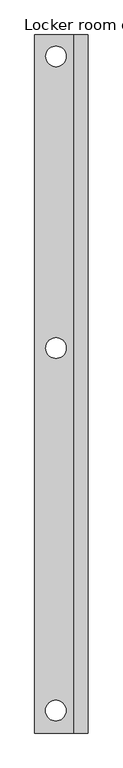
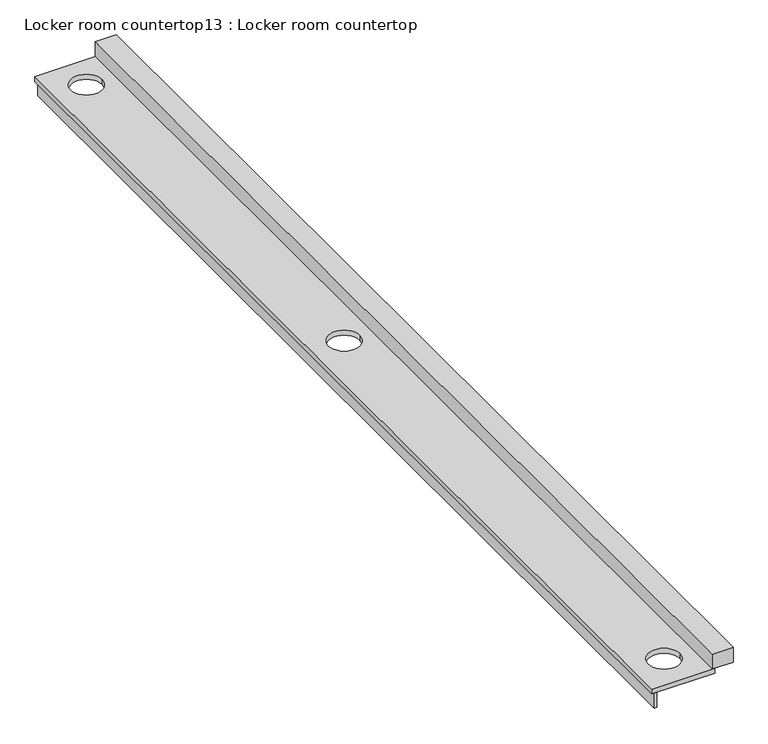
"""IFC4 building model written with IfcOpenShell, lengths in millimetres: furniture geometry, Locker room countertop13 : Locker room countertop."""

import ifcopenshell
import ifcopenshell.guid

model = None  # the IFC model being written
_history = None  # IfcOwnerHistory: only IFC2X3 demands one
_inside = {}  # id of a spatial element -> (the spatial element, [elements in it])
_under = {}  # id of a project, library or spatial element -> (it, [spatial elements below it])
_declared = {}  # id of a project -> (the project, [libraries it declares])
_typed = {}  # id of a type object -> (the type object, [elements of that type])
_made_of = {}  # id of a material, layer set ... -> (it, [elements and type objects made of it])


def new_model(schema):
    """Start an empty IFC model of exactly this schema.

    Asked for "IFC4X3", IfcOpenShell would pick the latest addendum, in which some entities
    have other attributes; the version numbers below select the first issue.
    IFC2X3 requires an IfcOwnerHistory on every rooted entity: one is made here for all.
    """
    global model, _history
    if schema == "IFC4X3":
        model = ifcopenshell.file(schema_version=(4, 3, 0, 0))
    else:
        model = ifcopenshell.file(schema=schema)
    _inside.clear()
    _under.clear()
    _declared.clear()
    _typed.clear()
    _made_of.clear()
    _history = None
    if model.schema == "IFC2X3":
        org = make("IfcOrganization", Name="unknown")
        user = make(
            "IfcPersonAndOrganization",
            ThePerson=make("IfcPerson", FamilyName="unknown"),
            TheOrganization=org,
        )
        app = make(
            "IfcApplication",
            ApplicationDeveloper=org,
            Version="unknown",
            ApplicationFullName="unknown",
            ApplicationIdentifier="unknown",
        )
        _history = make(
            "IfcOwnerHistory",
            OwningUser=user,
            OwningApplication=app,
            ChangeAction="ADDED",
            CreationDate=0,
        )
    return model


def make(cls, **values):
    """One entity of the class cls with the attributes given. An attribute that is None is left unset."""
    return model.create_entity(
        cls, **{name: value for name, value in values.items() if value is not None}
    )


def rooted(cls, **values):
    """An entity with a GlobalId (a new one), such as an element, a storey or a relation."""
    return make(cls, GlobalId=ifcopenshell.guid.new(), OwnerHistory=_history, **values)


def si_unit(unit_type, name, prefix=None):
    """IfcSIUnit, for example si_unit("LENGTHUNIT", "METRE", prefix="MILLI")."""
    return make("IfcSIUnit", UnitType=unit_type, Prefix=prefix, Name=name)


def assignment(units):
    """IfcUnitAssignment: the units of a project."""
    return None if units is None else make("IfcUnitAssignment", Units=units)


def point(xyz):
    """IfcCartesianPoint."""
    return None if xyz is None else make("IfcCartesianPoint", Coordinates=xyz)


def direction(xyz):
    """IfcDirection."""
    return None if xyz is None else make("IfcDirection", DirectionRatios=xyz)


def frame(location, z_axis=None, x_axis=None):
    """IfcAxis2Placement3D, a coordinate frame: its origin and axes. An axis left out is left unset."""
    return make(
        "IfcAxis2Placement3D",
        Location=point(location),
        Axis=direction(z_axis),
        RefDirection=direction(x_axis),
    )


def frame_2d(location, x_axis=None):
    """IfcAxis2Placement2D, a coordinate frame in the plane: its origin and x axis."""
    return make(
        "IfcAxis2Placement2D", Location=point(location), RefDirection=direction(x_axis)
    )


def origin():
    """The frame at (0, 0, 0) with its axes left unset."""
    return frame((0.0, 0.0, 0.0))


def place(relative_to, where):
    """IfcLocalPlacement: puts the frame where relative to a parent placement (None: the world)."""
    return make(
        "IfcLocalPlacement", PlacementRelTo=relative_to, RelativePlacement=where
    )


def context(
    kind, dimensions, precision=None, world=None, true_north=None, identifier=None
):
    """IfcGeometricRepresentationContext, for example the 3D "Model" context."""
    return make(
        "IfcGeometricRepresentationContext",
        ContextIdentifier=identifier,
        ContextType=kind,
        CoordinateSpaceDimension=dimensions,
        Precision=precision,
        WorldCoordinateSystem=world,
        TrueNorth=true_north,
    )


def project(units=None, contexts=None):
    """IfcProject with its units and contexts."""
    return rooted(
        "IfcProject",
        Name="project",
        RepresentationContexts=contexts,
        UnitsInContext=assignment(units),
    )


def spatial(cls, under=None, at=None, **own):
    """A site, building, storey or space (cls), placed at a placement, below another one or the project."""
    s = rooted(cls, ObjectPlacement=at, **own)
    if under is not None:
        _under.setdefault(under.id(), (under, []))[1].append(s)
    return s


def polyline(points):
    """IfcPolyline through the points."""
    return make("IfcPolyline", Points=[point(p) for p in points])


def circle_curve(where, radius):
    """IfcCircle in the frame where."""
    return make("IfcCircle", Position=where, Radius=radius)


def trimmed(basis, trim1, trim2, sense, master):
    """IfcTrimmedCurve: the piece of a basis curve between two trims."""
    return make(
        "IfcTrimmedCurve",
        BasisCurve=basis,
        Trim1=trim1,
        Trim2=trim2,
        SenseAgreement=sense,
        MasterRepresentation=master,
    )


def segment(curve, same_sense, transition):
    """IfcCompositeCurveSegment."""
    return make(
        "IfcCompositeCurveSegment",
        Transition=transition,
        SameSense=same_sense,
        ParentCurve=curve,
    )


def composite_curve(segments, self_intersect=None):
    """IfcCompositeCurve: segments joined end to end."""
    return make("IfcCompositeCurve", Segments=segments, SelfIntersect=self_intersect)


def outline(outer, holes=None, kind="AREA"):
    """IfcArbitraryClosedProfileDef: a profile drawn as a closed curve; with holes, ...WithVoids."""
    if holes is None:
        return make("IfcArbitraryClosedProfileDef", ProfileType=kind, OuterCurve=outer)
    return make(
        "IfcArbitraryProfileDefWithVoids",
        ProfileType=kind,
        OuterCurve=outer,
        InnerCurves=holes,
    )


def extrude(swept, where, along, depth):
    """IfcExtrudedAreaSolid: the profile swept, set in the frame where, extruded along a direction by depth."""
    return make(
        "IfcExtrudedAreaSolid",
        SweptArea=swept,
        Position=where,
        ExtrudedDirection=direction(along),
        Depth=depth,
    )


def shape(context_of_items, identifier, shape_type, items):
    """IfcShapeRepresentation: the items that make up one representation, for example the "Body"."""
    return make(
        "IfcShapeRepresentation",
        ContextOfItems=context_of_items,
        RepresentationIdentifier=identifier,
        RepresentationType=shape_type,
        Items=items,
    )


def source(mapping_origin, context_of_items, identifier, shape_type, items):
    """IfcRepresentationMap: a shape defined once, which mapped items show again and again."""
    return make(
        "IfcRepresentationMap",
        MappingOrigin=mapping_origin,
        MappedRepresentation=shape(context_of_items, identifier, shape_type, items),
    )


def transform(
    local_origin,
    x_axis=None,
    y_axis=None,
    z_axis=None,
    scale=None,
    scale2=None,
    scale3=None,
    uniform=True,
):
    """IfcCartesianTransformationOperator3D, or its non-uniform kind. x_axis, y_axis, z_axis: its Axis1, 2, 3."""
    if uniform:
        return make(
            "IfcCartesianTransformationOperator3D",
            Axis1=direction(x_axis),
            Axis2=direction(y_axis),
            LocalOrigin=point(local_origin),
            Scale=scale,
            Axis3=direction(z_axis),
        )
    return make(
        "IfcCartesianTransformationOperator3DnonUniform",
        Axis1=direction(x_axis),
        Axis2=direction(y_axis),
        LocalOrigin=point(local_origin),
        Scale=scale,
        Axis3=direction(z_axis),
        Scale2=scale2,
        Scale3=scale3,
    )


def mapped(mapping_source, mapping_target):
    """IfcMappedItem: shows the shape of a source again, moved by a transform."""
    return make(
        "IfcMappedItem", MappingSource=mapping_source, MappingTarget=mapping_target
    )


def made_of(thing, what):
    """Note that an element or type object is made of a material, layer set ...; save() writes the relation."""
    if what is not None:
        _made_of.setdefault(what.id(), (what, []))[1].append(thing)
    return thing


def element(
    cls,
    number,
    at=None,
    inside=None,
    cuts=None,
    type_object=None,
    material=None,
    context=None,
    identifier="Body",
    shape_type=None,
    held_by="IfcProductDefinitionShape",
    body=None,
    shapes=None,
    **own,
):
    """One element of the class cls, such as IfcWall. Its Tag is "e" and its number.

    at: its placement. inside: the storey or other place that contains it. cuts: it is an
    opening in that element (IfcRelVoidsElement). A single representation is given by context,
    identifier, shape_type and body (its items); several are given by shapes. held_by: the class
    of the entity that holds the representations. save() writes the other relations.
    """
    e = rooted(cls, Tag="e%d" % number, ObjectPlacement=at, **own)
    if body is not None:
        shapes = [shape(context, identifier, shape_type, body)]
    if shapes is not None:
        e.Representation = make(held_by, Representations=shapes)
    if inside is not None:
        _inside.setdefault(inside.id(), (inside, []))[1].append(e)
    if cuts is not None:
        rooted(
            "IfcRelVoidsElement", RelatingBuildingElement=cuts, RelatedOpeningElement=e
        )
    if type_object is not None:
        _typed.setdefault(type_object.id(), (type_object, []))[1].append(e)
    return made_of(e, material)


def aggregate(whole, parts):
    """IfcRelAggregates: a whole, such as a stair, and the parts it consists of."""
    return rooted("IfcRelAggregates", RelatingObject=whole, RelatedObjects=parts)


def save(model, path):
    """Write the relations noted so far, then the file.

    IfcRelAggregates (storeys below a building ...), IfcRelContainedInSpatialStructure (elements
    in a storey), IfcRelDefinesByType, IfcRelAssociatesMaterial and IfcRelDeclares: one each for
    every whole, place, type object, material and project.
    """
    for whole, parts in _under.values():
        aggregate(whole, parts)
    for where, things in _inside.values():
        rooted(
            "IfcRelContainedInSpatialStructure",
            RelatedElements=things,
            RelatingStructure=where,
        )
    for kind, things in _typed.values():
        rooted("IfcRelDefinesByType", RelatedObjects=things, RelatingType=kind)
    for what, things in _made_of.values():
        rooted("IfcRelAssociatesMaterial", RelatedObjects=things, RelatingMaterial=what)
    for by, libraries in _declared.values():
        rooted("IfcRelDeclares", RelatingContext=by, RelatedDefinitions=libraries)
    model.write(path)


def locker_room_countertop13_locker_room_countertop_2a3d2465(model_context):
    return source(origin(), model_context, "Body", "SweptSolid", [
        extrude(outline(polyline([(459985.8504676, -350597.0080223), (459985.8504676, -340267.1455223), (460011.2504676, -340267.1455223), (460011.2504676, -350597.0080223), (459985.8504676, -350597.0080223)])), frame((0.0, 0.0, 660.4), z_axis=(0.0, 0.0, 1.0), x_axis=(1.0, 0.0, 0.0)), (0.0, 0.0, 1.0), 152.4),
        extrude(outline(polyline([(460544.6504676, -340267.1455223), (460747.8504676, -340267.1455223), (460747.8504676, -350597.0080223), (460544.6504676, -350597.0080223), (460544.6504676, -340267.1455223)])), frame((0.0, 0.0, 863.6), z_axis=(0.0, 0.0, 1.0), x_axis=(1.0, 0.0, 0.0)), (0.0, 0.0, 1.0), 152.4),
        extrude(outline(polyline([(459960.4504676, -340267.1455223), (460570.0504676, -340267.1455223), (460570.0504676, -350597.0080223), (459960.4504676, -350597.0080223), (459960.4504676, -340267.1455223)]), holes=[composite_curve([segment(trimmed(circle_curve(frame_2d((460275.2498984, -340583.6938124)), 152.4), [point((460427.6498984, -340583.6938124))], [point((460122.8498984, -340583.6938124))], True, "CARTESIAN"), True, "CONTINUOUS"), segment(trimmed(circle_curve(frame_2d((460275.2498984, -340583.6938124)), 152.4), [point((460122.8498984, -340583.6938124))], [point((460427.6498984, -340583.6938124))], True, "CARTESIAN"), True, "CONTINUOUS")], self_intersect=False), composite_curve([segment(trimmed(circle_curve(frame_2d((460272.581704, -350264.4263657)), 152.4), [point((460424.981704, -350264.4263657))], [point((460120.181704, -350264.4263657))], True, "CARTESIAN"), True, "CONTINUOUS"), segment(trimmed(circle_curve(frame_2d((460272.581704, -350264.4263657)), 152.4), [point((460120.181704, -350264.4263657))], [point((460424.981704, -350264.4263657))], True, "CARTESIAN"), True, "CONTINUOUS")], self_intersect=False), composite_curve([segment(trimmed(circle_curve(frame_2d((460275.2498984, -344901.6938124)), 152.4), [point((460427.6498984, -344901.6938124))], [point((460122.8498984, -344901.6938124))], True, "CARTESIAN"), True, "CONTINUOUS"), segment(trimmed(circle_curve(frame_2d((460275.2498984, -344901.6938124)), 152.4), [point((460122.8498984, -344901.6938124))], [point((460427.6498984, -344901.6938124))], True, "CARTESIAN"), True, "CONTINUOUS")], self_intersect=False)]), frame((0.0, 0.0, 812.8), z_axis=(0.0, 0.0, 1.0), x_axis=(1.0, 0.0, 0.0)), (0.0, 0.0, 1.0), 50.8),
    ])


if __name__ == "__main__":
    model = new_model("IFC4")
    model_context = context("Model", 3, world=origin())
    ifc_project = project(units=[si_unit("LENGTHUNIT", "METRE", prefix="MILLI")], contexts=[model_context])
    site = spatial("IfcSite", under=ifc_project)
    building = spatial("IfcBuilding", under=site)
    placement = place(None, origin())
    locker_room_countertop13_locker_room_countertop_shape = locker_room_countertop13_locker_room_countertop_2a3d2465(model_context)
    element("IfcFurniture", 1, ObjectType="Locker room countertop13 : Locker room countertop", at=placement, inside=building, context=model_context, shape_type="MappedRepresentation", body=[
        mapped(locker_room_countertop13_locker_room_countertop_shape, transform((0.0, 0.0, 0.0), x_axis=(1.0, 0.0, 0.0), y_axis=(0.0, 1.0, 0.0), z_axis=(0.0, 0.0, 1.0))),
    ])
    save(model, "model.ifc")
